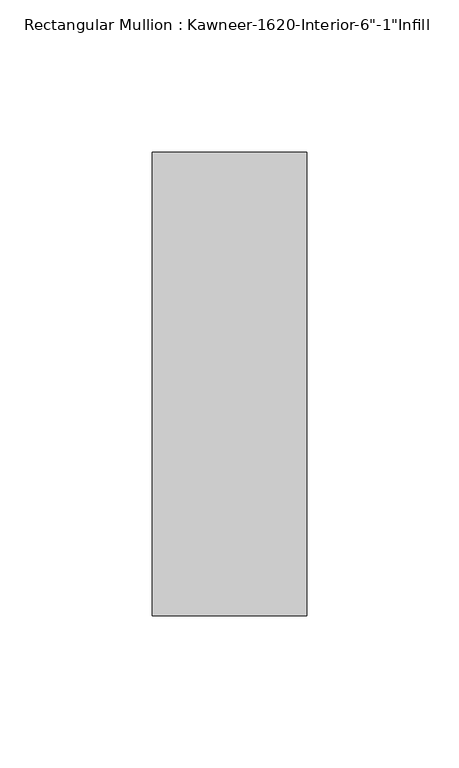
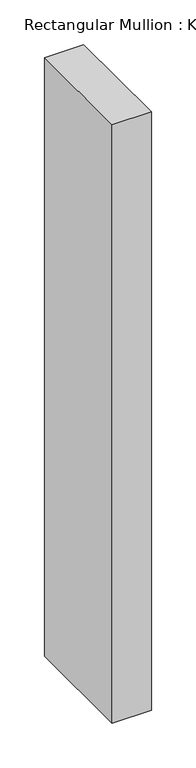
"""IFC4 building model written with IfcOpenShell, lengths in millimetres: member geometry."""

from ifc_helpers import new_model, si_unit, frame, origin, place, context, project, spatial, polyline, outline, extrude, source, transform, mapped, element, save


def member_888c9ed1(model_context):
    return source(origin(), model_context, "Body", "SweptSolid", [
        extrude(outline(polyline([(25.4, -114.3), (-25.4, -114.3), (-25.4, 38.1), (25.4, 38.1), (25.4, -114.3)])), frame((0.0, 0.0, -820.0182369), z_axis=(0.0, 0.0, 1.0), x_axis=(1.0, 0.0, 0.0)), (0.0, 0.0, 1.0), 820.0182369),
    ])


if __name__ == "__main__":
    model = new_model("IFC4")
    model_context = context("Model", 3, world=origin())
    ifc_project = project(units=[si_unit("LENGTHUNIT", "METRE", prefix="MILLI")], contexts=[model_context])
    site = spatial("IfcSite", under=ifc_project)
    building = spatial("IfcBuilding", under=site)
    placement = place(None, origin())
    member_shape = member_888c9ed1(model_context)
    element("IfcMember", 1, ObjectType="Rectangular Mullion : Kawneer-1620-Interior-6\"-1\"Infill", at=placement, inside=building, context=model_context, shape_type="MappedRepresentation", body=[
        mapped(member_shape, transform((0.0, 0.0, 0.0), x_axis=(1.0, 0.0, 0.0), y_axis=(0.0, 1.0, 0.0), z_axis=(0.0, 0.0, 1.0))),
    ])
    save(model, "model.ifc")
